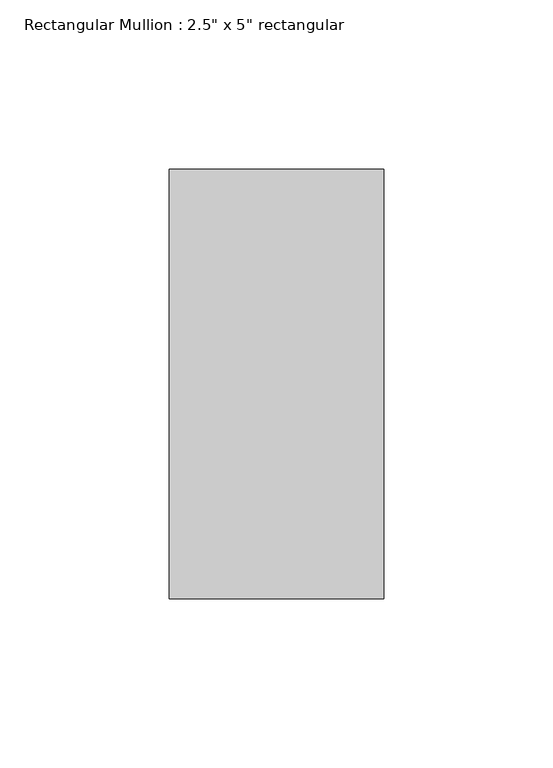
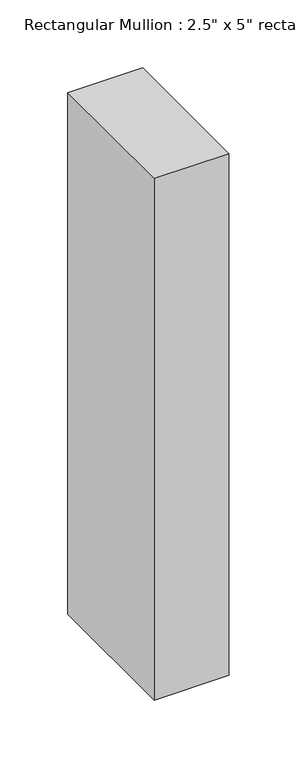
"""IFC4 building model written with IfcOpenShell, lengths in millimetres: member geometry."""

from ifc_helpers import new_model, si_unit, frame, origin, place, context, project, spatial, polyline, outline, extrude, source, transform, mapped, element, save


def member_0460883c(model_context):
    return source(origin(), model_context, "Body", "SweptSolid", [
        extrude(outline(polyline([(31.75, 63.5), (31.75, -63.5), (-31.75, -63.5), (-31.75, 63.5), (31.75, 63.5)])), frame((0.0, 0.0, -469.218523), z_axis=(0.0, 0.0, 1.0), x_axis=(1.0, 0.0, 0.0)), (0.0, 0.0, 1.0), 469.218523),
    ])


if __name__ == "__main__":
    model = new_model("IFC4")
    model_context = context("Model", 3, world=origin())
    ifc_project = project(units=[si_unit("LENGTHUNIT", "METRE", prefix="MILLI")], contexts=[model_context])
    site = spatial("IfcSite", under=ifc_project)
    building = spatial("IfcBuilding", under=site)
    placement = place(None, origin())
    member_shape = member_0460883c(model_context)
    element("IfcMember", 1, ObjectType="Rectangular Mullion : 2.5\" x 5\" rectangular", at=placement, inside=building, context=model_context, shape_type="MappedRepresentation", body=[
        mapped(member_shape, transform((0.0, 0.0, 0.0), x_axis=(1.0, 0.0, 0.0), y_axis=(0.0, 1.0, 0.0), z_axis=(0.0, 0.0, 1.0))),
    ])
    save(model, "model.ifc")
